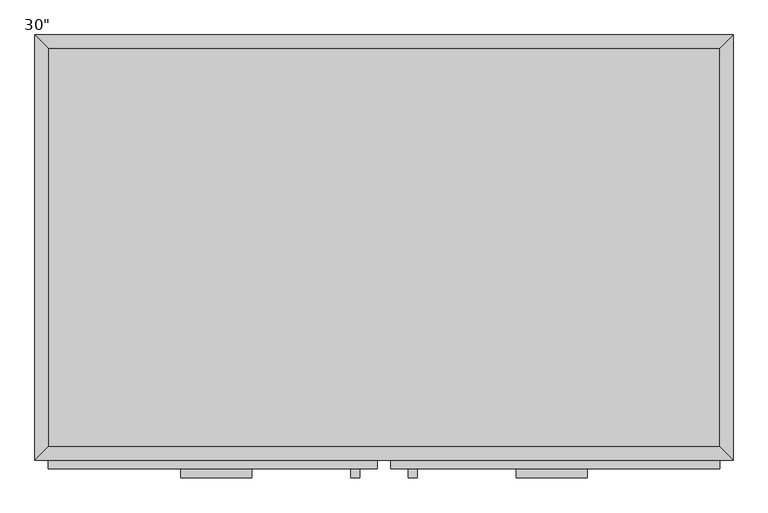
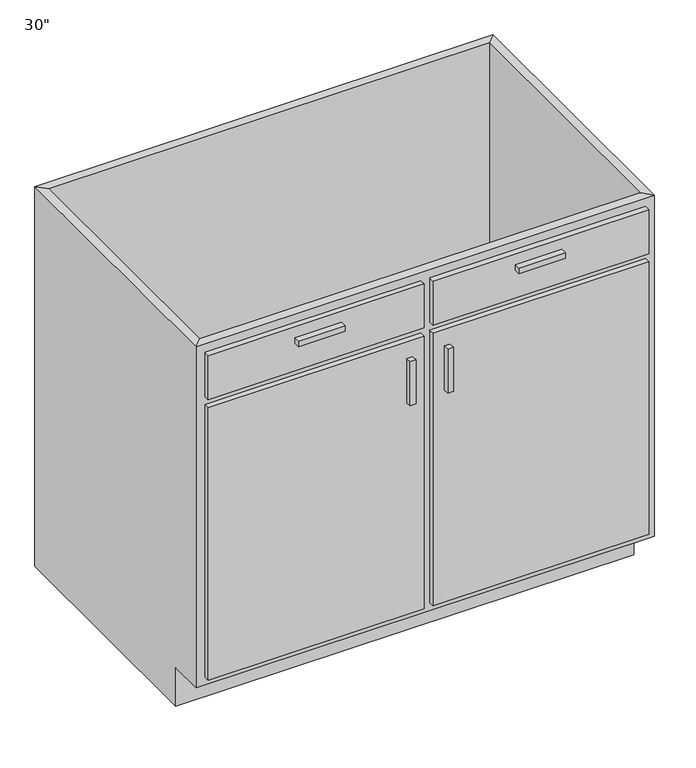
"""IFC4 building model written with IfcOpenShell, lengths in millimetres: furniture geometry."""

from ifc_helpers import new_model, si_unit, frame, origin, place, context, project, spatial, polyline, outline, extrude, faceted_brep, source, transform, mapped, element, save


def furniture_df6bb065(model_context):
    return source(origin(), model_context, "Body", "SolidModel", [
        faceted_brep([(500.2321814, -590.55, 876.3), (500.2321814, -590.55, 88.9), (-462.7567716, -590.55, 88.9), (-462.7567716, -590.55, 876.3), (-481.8067716, -609.6, 876.3), (519.2821814, -609.6, 876.3), (-481.8067716, -609.6, 88.9), (519.2821814, -609.6, 88.9), (-462.7567716, -533.4, 88.9), (-462.7567716, -19.05, 88.9), (-462.7567716, -19.05, 876.3), (-481.8067716, 0.0, 876.3), (-481.8067716, 0.0, 0.0), (-481.8067716, -533.4, 0.0), (-481.8067716, -533.4, 88.9), (500.2321814, -19.05, 88.9), (500.2321814, -19.05, 876.3), (519.2821814, 0.0, 876.3), (519.2821814, 0.0, 0.0), (500.2321814, -533.4, 88.9), (519.2821814, -533.4, 88.9), (519.2821814, -533.4, 0.0)], [[[0, 1, 2, 3]], [[0, 3, 4, 5]], [[5, 4, 6, 7]], [[2, 1, 7, 6]], [[3, 2, 8, 9, 10]], [[4, 3, 10, 11]], [[6, 4, 11, 12, 13, 14]], [[2, 6, 14, 8]], [[10, 9, 15, 16]], [[11, 10, 16, 17]], [[12, 11, 17, 18]], [[1, 0, 16, 15, 19]], [[0, 5, 17, 16]], [[5, 7, 20, 21, 18, 17]], [[7, 1, 19, 20]], [[8, 19, 15, 9]], [[18, 21, 13, 12]], [[13, 21, 20, 19, 8, 14]]]),
        extrude(outline(polyline([(-171.2095333, -635.0), (-272.8095333, -635.0), (-272.8095333, -622.3), (-171.2095333, -622.3), (-171.2095333, -635.0)])), frame((0.0, 0.0, 819.15), z_axis=(0.0, 0.0, 1.0), x_axis=(1.0, 0.0, 0.0)), (0.0, 0.0, 1.0), 12.7),
        extrude(outline(polyline([(310.2849432, -635.0), (208.6849432, -635.0), (208.6849432, -622.3), (310.2849432, -622.3), (310.2849432, -635.0)])), frame((0.0, 0.0, 819.15), z_axis=(0.0, 0.0, 1.0), x_axis=(1.0, 0.0, 0.0)), (0.0, 0.0, 1.0), 12.7),
        extrude(outline(polyline([(-16.1872951, -635.0), (-28.8872951, -635.0), (-28.8872951, -622.3), (-16.1872951, -622.3), (-16.1872951, -635.0)])), frame((0.0, 0.0, 596.9), z_axis=(0.0, 0.0, 1.0), x_axis=(1.0, 0.0, 0.0)), (0.0, 0.0, 1.0), 101.6),
        extrude(outline(polyline([(66.3627049, -635.0), (53.6627049, -635.0), (53.6627049, -622.3), (66.3627049, -622.3), (66.3627049, -635.0)])), frame((0.0, 0.0, 596.9), z_axis=(0.0, 0.0, 1.0), x_axis=(1.0, 0.0, 0.0)), (0.0, 0.0, 1.0), 101.6),
        extrude(outline(polyline([(500.2321814, -19.05), (500.2321814, -590.55), (-462.7567716, -590.55), (-462.7567716, -19.05), (500.2321814, -19.05)])), frame((0.0, 0.0, 88.9), z_axis=(0.0, 0.0, 1.0), x_axis=(1.0, 0.0, 0.0)), (0.0, 0.0, 1.0), 19.05),
        extrude(outline(polyline([(9.2127049, -622.3), (-462.7567716, -622.3), (-462.7567716, -609.6), (9.2127049, -609.6), (9.2127049, -622.3)])), frame((0.0, 0.0, 755.65), z_axis=(0.0, 0.0, 1.0), x_axis=(1.0, 0.0, 0.0)), (0.0, 0.0, 1.0), 101.6),
        extrude(outline(polyline([(500.2321814, -622.3), (28.2627049, -622.3), (28.2627049, -609.6), (500.2321814, -609.6), (500.2321814, -622.3)])), frame((0.0, 0.0, 755.65), z_axis=(0.0, 0.0, 1.0), x_axis=(1.0, 0.0, 0.0)), (0.0, 0.0, 1.0), 101.6),
        extrude(outline(polyline([(9.2127049, -622.3), (-462.7567716, -622.3), (-462.7567716, -609.6), (9.2127049, -609.6), (9.2127049, -622.3)])), frame((0.0, 0.0, 107.95), z_axis=(0.0, 0.0, 1.0), x_axis=(1.0, 0.0, 0.0)), (0.0, 0.0, 1.0), 628.65),
        extrude(outline(polyline([(500.2321814, -622.3), (28.2627049, -622.3), (28.2627049, -609.6), (500.2321814, -609.6), (500.2321814, -622.3)])), frame((0.0, 0.0, 107.95), z_axis=(0.0, 0.0, 1.0), x_axis=(1.0, 0.0, 0.0)), (0.0, 0.0, 1.0), 628.65),
    ])


if __name__ == "__main__":
    model = new_model("IFC4")
    model_context = context("Model", 3, world=origin())
    ifc_project = project(units=[si_unit("LENGTHUNIT", "METRE", prefix="MILLI")], contexts=[model_context])
    site = spatial("IfcSite", under=ifc_project)
    building = spatial("IfcBuilding", under=site)
    placement = place(None, origin())
    furniture_shape = furniture_df6bb065(model_context)
    element("IfcFurniture", 1, ObjectType="30\"", at=placement, inside=building, context=model_context, shape_type="MappedRepresentation", body=[
        mapped(furniture_shape, transform((0.0, 0.0, 0.0), x_axis=(1.0, 0.0, 0.0), y_axis=(0.0, 1.0, 0.0), z_axis=(0.0, 0.0, 1.0))),
    ])
    save(model, "model.ifc")
